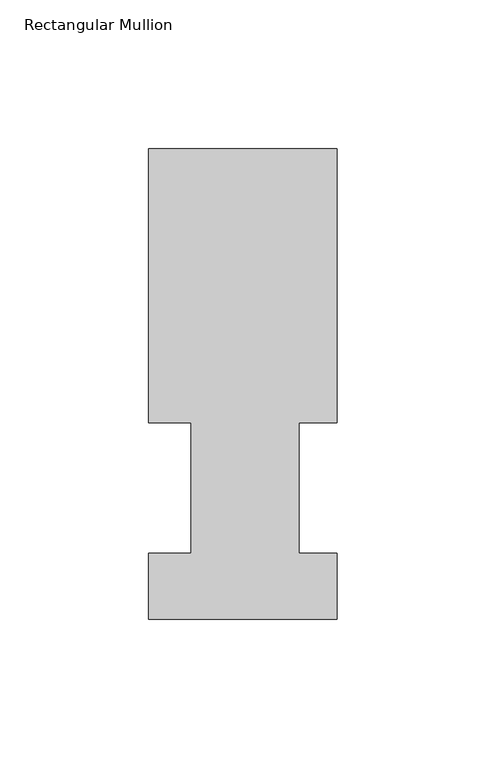
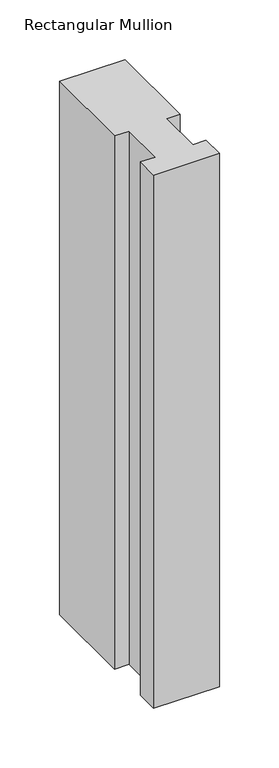
"""IFC4 building model written with IfcOpenShell, lengths in millimetres: member geometry, Rectangular Mullion."""

from ifc_helpers import new_model, si_unit, frame, origin, place, context, project, spatial, polyline, outline, extrude, source, transform, mapped, element, save


def rectangular_mullion_38cb6734(model_context):
    return source(origin(), model_context, "Body", "SweptSolid", [
        extrude(outline(polyline([(-63.5, 158.2308875), (0.0, 158.2308875), (0.0, 66.0796875), (-12.8524, 66.0796875), (-12.8524, 22.1122875), (0.0, 22.1122875), (0.0, -0.0080424), (-63.5, -0.0080424), (-63.5, 22.1122875), (-49.2125, 22.1122875), (-49.2125, 66.0796875), (-63.5, 66.0796875), (-63.5, 158.2308875)])), frame((0.0, 0.0, -546.1), z_axis=(0.0, 0.0, 1.0), x_axis=(1.0, 0.0, 0.0)), (0.0, 0.0, 1.0), 546.1),
    ])


if __name__ == "__main__":
    model = new_model("IFC4")
    model_context = context("Model", 3, world=origin())
    ifc_project = project(units=[si_unit("LENGTHUNIT", "METRE", prefix="MILLI")], contexts=[model_context])
    site = spatial("IfcSite", under=ifc_project)
    building = spatial("IfcBuilding", under=site)
    placement = place(None, origin())
    rectangular_mullion_shape = rectangular_mullion_38cb6734(model_context)
    element("IfcMember", 1, ObjectType="Rectangular Mullion", at=placement, inside=building, context=model_context, shape_type="MappedRepresentation", body=[
        mapped(rectangular_mullion_shape, transform((0.0, 0.0, 0.0), x_axis=(1.0, 0.0, 0.0), y_axis=(0.0, 1.0, 0.0), z_axis=(0.0, 0.0, 1.0))),
    ])
    save(model, "model.ifc")
